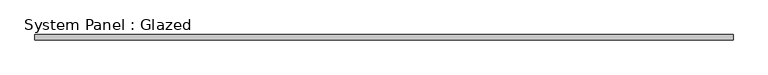
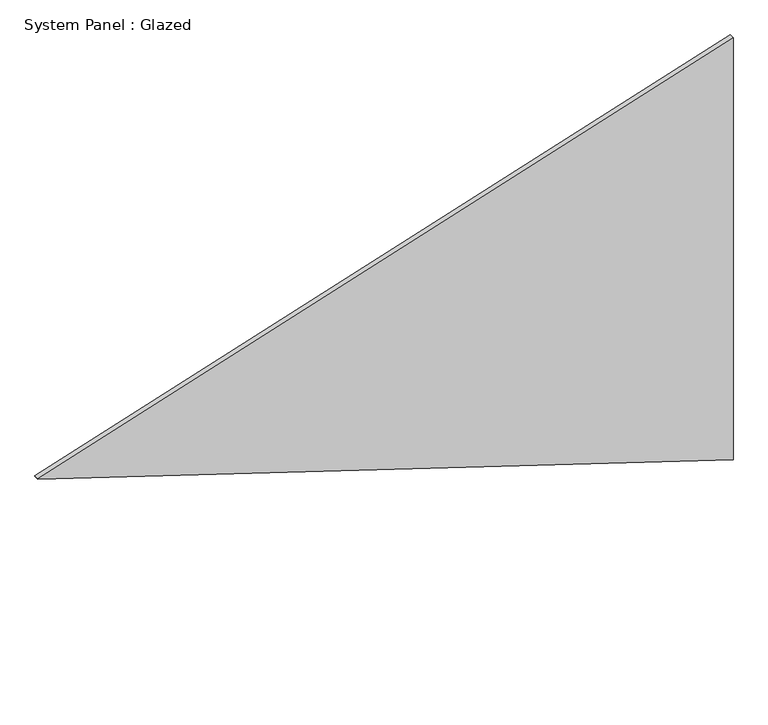
"""IFC4 building model written with IfcOpenShell, lengths in millimetres: plate geometry, System Panel : Glazed."""

from ifc_helpers import new_model, si_unit, frame, origin, place, context, project, spatial, polyline, outline, extrude, source, transform, mapped, element, save


def system_panel_glazed_9f0c10b0(model_context):
    return source(origin(), model_context, "Body", "SweptSolid", [
        extrude(outline(polyline([(1049.6216278, -1637.4794353), (0.0, 1637.4794353), (2100.8130619, 1637.4794353), (1051.1914341, -1637.4794353), (1049.6216278, -1637.4794353)])), frame((0.0, -49.5, 0.0), z_axis=(0.0, 1.0, 0.0), x_axis=(0.0, 0.0, 1.0)), (0.0, 0.0, 1.0), 25.0),
    ])


if __name__ == "__main__":
    model = new_model("IFC4")
    model_context = context("Model", 3, world=origin())
    ifc_project = project(units=[si_unit("LENGTHUNIT", "METRE", prefix="MILLI")], contexts=[model_context])
    site = spatial("IfcSite", under=ifc_project)
    building = spatial("IfcBuilding", under=site)
    placement = place(None, origin())
    system_panel_glazed_shape = system_panel_glazed_9f0c10b0(model_context)
    element("IfcPlate", 1, ObjectType="System Panel : Glazed", at=placement, inside=building, context=model_context, shape_type="MappedRepresentation", body=[
        mapped(system_panel_glazed_shape, transform((0.0, 0.0, 0.0), x_axis=(1.0, 0.0, 0.0), y_axis=(0.0, 1.0, 0.0), z_axis=(0.0, 0.0, 1.0))),
    ])
    save(model, "model.ifc")
